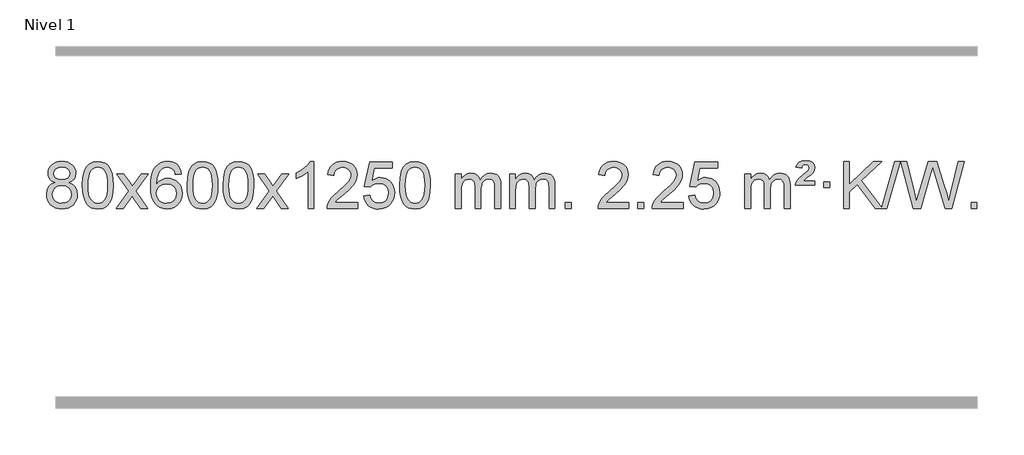
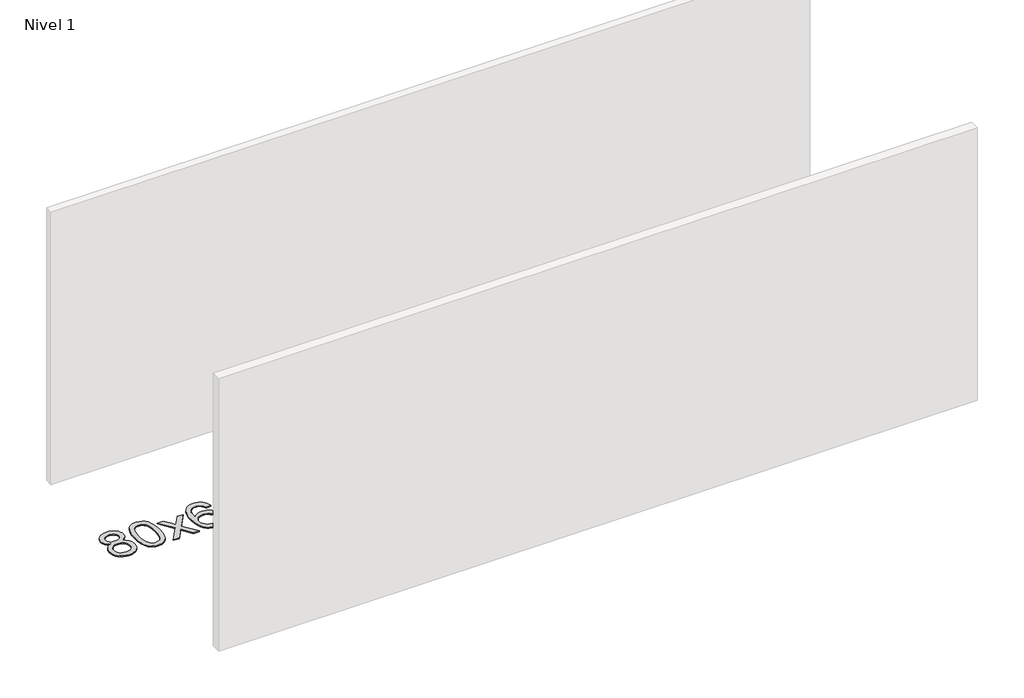
# One storey, part 6 of 9: 1 proxy.
"""IFC4 building model written with IfcOpenShell, lengths in millimetres."""

from ifc_helpers import new_model, si_unit, origin, origin_with_axes, place, context, project, spatial, polyline, outline, extrude, element, save

model = new_model("IFC4")

# Units and contexts
model_context = context("Model", 3, world=origin())
ifc_project = project(units=[si_unit("LENGTHUNIT", "METRE", prefix="MILLI")], contexts=[model_context])

# Site, building, storey
site = spatial("IfcSite", under=ifc_project)
building = spatial("IfcBuilding", under=site)
storey = spatial("IfcBuildingStorey", under=building, Name="Nivel 1", Elevation=0.0)

# Proxy
placement = place(None, origin())
element("IfcBuildingElementProxy", 1, Name="Texto de modelo 1", ObjectType="Texto de modelo 1", at=placement, inside=storey, context=model_context, shape_type="SweptSolid", body=[
    extrude(outline(polyline([(-6536.8094438, -6174.2616447), (-6563.7016177, -6161.0178929), (-6582.573964, -6143.0652515), (-6593.7207885, -6120.7716026), (-6597.4363966, -6094.5048281), (-6595.4130456, -6074.0199324), (-6589.3429927, -6055.2395565), (-6579.2262378, -6038.1637006), (-6565.062781, -6022.7923645), (-6547.533204, -6010.088173), (-6527.3180883, -6001.0137504), (-6504.4174341, -5995.5690969), (-6478.8312414, -5993.7542124), (-6453.1224213, -5995.6120165), (-6430.0500888, -6001.1854287), (-6409.614244, -6010.4744491), (-6391.8148868, -6023.4790776), (-6377.3939126, -6039.1508506), (-6367.0932167, -6056.4413044), (-6360.9127992, -6075.3504389), (-6358.85266, -6095.8782543), (-6362.5192172, -6121.2989001), (-6373.5188889, -6143.2124043), (-6391.9743023, -6161.0546811), (-6418.0080848, -6174.2616447), (-6387.0937345, -6190.1909351), (-6364.5916191, -6213.6495436), (-6350.8696207, -6243.5092989), (-6346.2956212, -6278.6420295), (-6348.5642269, -6303.6947933), (-6355.3700438, -6326.6628926), (-6366.713072, -6347.5463272), (-6382.5933114, -6366.3450971), (-6402.1768963, -6381.88198), (-6424.6299607, -6392.9797536), (-6449.9525047, -6399.6384177), (-6478.1445283, -6401.8579724), (-6506.3365519, -6399.6292206), (-6531.6590959, -6392.9429654), (-6554.1121603, -6381.7992066), (-6573.6957452, -6366.1979443), (-6589.5759846, -6347.26735), (-6600.9190128, -6326.135595), (-6607.7248297, -6302.8026795), (-6609.9934354, -6277.2686033), (-6605.2354949, -6240.7747094), (-6590.9616735, -6210.7555386), (-6567.9077351, -6188.2411605), (-6536.8094438, -6174.2616447)]), holes=[polyline([(-6547.2082415, -6095.9763561), (-6542.7568694, -6117.902123), (-6529.402753, -6135.413306), (-6507.5382997, -6146.8912243), (-6477.5559171, -6150.717197), (-6448.2725103, -6146.9157497), (-6426.7391508, -6135.5114079), (-6413.495399, -6118.5888361), (-6409.0808151, -6098.232699), (-6413.6425518, -6077.1040098), (-6427.327762, -6059.629615), (-6449.1554271, -6047.8941794), (-6478.1445283, -6043.9823675), (-6507.3175705, -6047.8083402), (-6529.1084474, -6059.2862585), (-6542.683293, -6076.1107284), (-6547.2082415, -6095.9763561)]), polyline([(-6559.7652803, -6275.5027698), (-6557.6683529, -6294.7184726), (-6551.3775708, -6313.3210389), (-6539.7647625, -6329.5446349), (-6521.7017565, -6341.623427), (-6500.0702952, -6349.1282197), (-6477.7521208, -6351.6298173), (-6443.5636208, -6346.3691048), (-6429.6699441, -6339.7932141), (-6417.909983, -6330.5869672), (-6401.870328, -6306.6869002), (-6396.5237763, -6277.0723996), (-6402.0420062, -6246.9551269), (-6418.596696, -6222.5277625), (-6430.6754882, -6213.0854579), (-6444.838945, -6206.3409547), (-6479.4198526, -6200.9453521), (-6513.130106, -6206.2673783), (-6526.8674329, -6212.919911), (-6538.5262264, -6222.2334569), (-6554.4555168, -6246.1948375), (-6559.7652803, -6275.5027698)])]), origin_with_axes(), (0.0, 0.0, 1.0), 10.0),
    extrude(outline(polyline([(-6302.3459855, -6197.9041943), (-6298.6549029, -6133.5861588), (-6287.5816548, -6082.2911459), (-6269.236606, -6043.2343407), (-6257.378543, -6028.0009605), (-6243.730121, -6015.6309284), (-6228.2453547, -6006.0598651), (-6210.8782588, -5999.2233914), (-6170.4970785, -5993.7542124), (-6139.5459399, -5996.991574), (-6111.832163, -6006.7036586), (-6088.6555973, -6022.5103217), (-6071.3160926, -6044.0314184), (-6058.2194935, -6071.0830078), (-6047.7716449, -6103.4811488), (-6040.9290398, -6144.6226186), (-6038.6481714, -6197.9041943), (-6042.3024659, -6261.8543477), (-6053.2653493, -6313.0267333), (-6071.5000336, -6352.1203266), (-6083.3305054, -6367.3996922), (-6096.9697304, -6379.8341036), (-6112.4728908, -6389.4695462), (-6129.8951689, -6396.3520052), (-6170.4970785, -6401.8579724), (-6198.1618045, -6399.4667394), (-6222.6872709, -6392.2930405), (-6244.0734775, -6380.3368757), (-6262.3204245, -6363.5982449), (-6279.8316074, -6333.3399508), (-6292.3395953, -6295.6381776), (-6299.844388, -6250.4929255), (-6302.3459855, -6197.9041943)]), holes=[polyline([(-6252.1178305, -6197.8060924), (-6250.6463025, -6241.4706195), (-6246.2317185, -6276.8148822), (-6238.8740786, -6303.8388804), (-6228.5733828, -6322.5426142), (-6216.1144459, -6335.2682656), (-6202.2820829, -6344.3580165), (-6187.0762937, -6349.8118671), (-6170.4970785, -6351.6298173), (-6153.9178632, -6349.8057357), (-6138.7120741, -6344.3334911), (-6124.8797111, -6335.2130833), (-6112.4207742, -6322.4445124), (-6102.1200783, -6303.7101217), (-6094.7624384, -6276.6922549), (-6090.3478545, -6241.3909118), (-6088.8763265, -6197.8060924), (-6090.2988035, -6155.2973278), (-6094.5662347, -6120.5753989), (-6101.6786199, -6093.6403055), (-6111.6359592, -6074.4920476), (-6123.8864297, -6061.1440625), (-6137.8782082, -6051.6097875), (-6153.6112949, -6045.8892225), (-6171.0856897, -6043.9823675), (-6187.5790658, -6045.6623619), (-6202.5273375, -6050.7023452), (-6215.9305049, -6059.1023175), (-6227.7885679, -6070.8622786), (-6238.4326203, -6091.708925), (-6246.0355148, -6119.8151094), (-6250.5972516, -6155.1808319), (-6252.1178305, -6197.8060924)])]), origin_with_axes(), (0.0, 0.0, 1.0), 10.0),
    extrude(outline(polyline([(-6013.5340939, -6395.579453), (-5906.2106531, -6247.2494325), (-6007.2555745, -6100.4890419), (-5946.8248254, -6100.4890419), (-5898.0681983, -6171.122385), (-5875.3085655, -6204.4770192), (-5855.5900906, -6177.2047007), (-5800.0644348, -6100.4890419), (-5739.6336857, -6100.4890419), (-5845.7799041, -6247.2494325), (-5743.5577603, -6395.579453), (-5803.9885094, -6395.579453), (-5865.498379, -6306.4048574), (-5876.7800935, -6290.1199477), (-5953.1033448, -6395.579453), (-6013.5340939, -6395.579453)])), origin_with_axes(), (0.0, 0.0, 1.0), 10.0),
    extrude(outline(polyline([(-5454.7458687, -6100.4890419), (-5504.9740237, -6106.7675613), (-5513.0674276, -6081.874213), (-5524.0057856, -6064.8780648), (-5546.7899439, -6049.2062918), (-5574.3320426, -6043.9823675), (-5597.6802865, -6047.0235253), (-5619.6551044, -6056.1469988), (-5638.5274507, -6075.3627017), (-5653.9417063, -6101.8134171), (-5664.3527668, -6139.227016), (-5668.2155277, -6191.3313693), (-5648.0678571, -6167.8237098), (-5623.9225355, -6151.2567573), (-5597.1284635, -6141.434308), (-5569.0345418, -6138.1601582), (-5544.9014829, -6140.398107), (-5522.6323595, -6147.1119534), (-5502.2271715, -6158.3016975), (-5483.6859189, -6173.9673391), (-5468.2777947, -6193.1769106), (-5457.2719917, -6214.9984443), (-5450.6685099, -6239.4319401), (-5448.4673493, -6266.4773982), (-5452.6121531, -6302.4439945), (-5465.0465645, -6335.786366), (-5484.740514, -6364.0642287), (-5510.6639319, -6384.8372987), (-5541.6395959, -6397.602804), (-5576.4902836, -6401.8579724), (-5606.4328123, -6399.0375437), (-5633.4752046, -6390.5762579), (-5657.6174606, -6376.4741147), (-5678.8595801, -6356.7311143), (-5696.177625, -6330.5133908), (-5708.5476571, -6296.9870783), (-5715.9696764, -6256.1521768), (-5718.4436828, -6208.0086864), (-5715.6968306, -6154.0342663), (-5707.4562739, -6107.9693092), (-5693.7220127, -6069.8138149), (-5674.4940471, -6039.5677835), (-5653.6535321, -6019.5243462), (-5629.4898164, -6005.2076052), (-5602.0029, -5996.6175606), (-5571.1927829, -5993.7542124), (-5548.0591367, -5995.5261773), (-5527.1205198, -6000.8420722), (-5508.3769322, -6009.7018969), (-5491.8283738, -6022.1056515), (-5477.9224344, -6037.6364031), (-5467.1067037, -6055.8772186), (-5459.3811818, -6076.8280983), (-5454.7458687, -6100.4890419)]), holes=[polyline([(-5668.2155277, -6265.6925832), (-5665.30926, -6287.9494439), (-5656.5904567, -6309.2007605), (-5643.0523993, -6327.472233), (-5625.6883691, -6340.7895612), (-5604.7313581, -6348.9197533), (-5580.4143582, -6351.6298173), (-5547.2681904, -6346.0134855), (-5533.353054, -6338.9930708), (-5521.2098825, -6329.1644901), (-5511.359842, -6316.9262824), (-5504.3240989, -6302.6769865), (-5498.6955043, -6268.1451299), (-5504.2505225, -6234.9989621), (-5511.1942951, -6221.3781312), (-5520.9155769, -6209.725469), (-5533.0955366, -6200.3904634), (-5547.4153432, -6193.7226022), (-5582.4744974, -6188.3883133), (-5615.5716142, -6193.7226022), (-5643.248603, -6209.725469), (-5654.1716326, -6221.2248471), (-5661.9737965, -6234.3858254), (-5666.6550949, -6249.2084042), (-5668.2155277, -6265.6925832)])]), origin_with_axes(), (0.0, 0.0, 1.0), 10.0),
    extrude(outline(polyline([(-5404.5177136, -6197.9041943), (-5400.8266309, -6133.5861588), (-5389.7533828, -6082.2911459), (-5371.408334, -6043.2343407), (-5359.550271, -6028.0009605), (-5345.901849, -6015.6309284), (-5330.4170827, -6006.0598651), (-5313.0499869, -5999.2233914), (-5272.6688065, -5993.7542124), (-5241.717668, -5996.991574), (-5214.003891, -6006.7036586), (-5190.8273253, -6022.5103217), (-5173.4878206, -6044.0314184), (-5160.3912216, -6071.0830078), (-5149.9433729, -6103.4811488), (-5143.1007678, -6144.6226186), (-5140.8198994, -6197.9041943), (-5144.4741939, -6261.8543477), (-5155.4370774, -6313.0267333), (-5173.6717616, -6352.1203266), (-5185.5022334, -6367.3996922), (-5199.1414584, -6379.8341036), (-5214.6446188, -6389.4695462), (-5232.066897, -6396.3520052), (-5272.6688065, -6401.8579724), (-5300.3335326, -6399.4667394), (-5324.8589989, -6392.2930405), (-5346.2452055, -6380.3368757), (-5364.4921525, -6363.5982449), (-5382.0033355, -6333.3399508), (-5394.5113233, -6295.6381776), (-5402.016116, -6250.4929255), (-5404.5177136, -6197.9041943)]), holes=[polyline([(-5354.2895585, -6197.8060924), (-5352.8180305, -6241.4706195), (-5348.4034466, -6276.8148822), (-5341.0458067, -6303.8388804), (-5330.7451108, -6322.5426142), (-5318.2861739, -6335.2682656), (-5304.4538109, -6344.3580165), (-5289.2480218, -6349.8118671), (-5272.6688065, -6351.6298173), (-5256.0895913, -6349.8057357), (-5240.8838021, -6344.3334911), (-5227.0514391, -6335.2130833), (-5214.5925022, -6322.4445124), (-5204.2918063, -6303.7101217), (-5196.9341664, -6276.6922549), (-5192.5195825, -6241.3909118), (-5191.0480545, -6197.8060924), (-5192.4705316, -6155.2973278), (-5196.7379627, -6120.5753989), (-5203.8503479, -6093.6403055), (-5213.8076873, -6074.4920476), (-5226.0581577, -6061.1440625), (-5240.0499363, -6051.6097875), (-5255.7830229, -6045.8892225), (-5273.2574177, -6043.9823675), (-5289.7507938, -6045.6623619), (-5304.6990656, -6050.7023452), (-5318.1022329, -6059.1023175), (-5329.9602959, -6070.8622786), (-5340.6043483, -6091.708925), (-5348.2072429, -6119.8151094), (-5352.7689796, -6155.1808319), (-5354.2895585, -6197.8060924)])]), origin_with_axes(), (0.0, 0.0, 1.0), 10.0),
    extrude(outline(polyline([(-5096.8702638, -6197.9041943), (-5093.1791811, -6133.5861588), (-5082.105933, -6082.2911459), (-5063.7608842, -6043.2343407), (-5051.9028212, -6028.0009605), (-5038.2543992, -6015.6309284), (-5022.7696329, -6006.0598651), (-5005.402537, -5999.2233914), (-4965.0213567, -5993.7542124), (-4934.0702182, -5996.991574), (-4906.3564412, -6006.7036586), (-4883.1798755, -6022.5103217), (-4865.8403708, -6044.0314184), (-4852.7437718, -6071.0830078), (-4842.2959231, -6103.4811488), (-4835.453318, -6144.6226186), (-4833.1724496, -6197.9041943), (-4836.8267441, -6261.8543477), (-4847.7896275, -6313.0267333), (-4866.0243118, -6352.1203266), (-4877.8547836, -6367.3996922), (-4891.4940086, -6379.8341036), (-4906.997169, -6389.4695462), (-4924.4194471, -6396.3520052), (-4965.0213567, -6401.8579724), (-4992.6860827, -6399.4667394), (-5017.2115491, -6392.2930405), (-5038.5977557, -6380.3368757), (-5056.8447027, -6363.5982449), (-5074.3558856, -6333.3399508), (-5086.8638735, -6295.6381776), (-5094.3686662, -6250.4929255), (-5096.8702638, -6197.9041943)]), holes=[polyline([(-5046.6421087, -6197.8060924), (-5045.1705807, -6241.4706195), (-5040.7559968, -6276.8148822), (-5033.3983568, -6303.8388804), (-5023.097661, -6322.5426142), (-5010.6387241, -6335.2682656), (-4996.8063611, -6344.3580165), (-4981.6005719, -6349.8118671), (-4965.0213567, -6351.6298173), (-4948.4421414, -6349.8057357), (-4933.2363523, -6344.3334911), (-4919.4039893, -6335.2130833), (-4906.9450524, -6322.4445124), (-4896.6443565, -6303.7101217), (-4889.2867166, -6276.6922549), (-4884.8721327, -6241.3909118), (-4883.4006047, -6197.8060924), (-4884.8230817, -6155.2973278), (-4889.0905129, -6120.5753989), (-4896.2028981, -6093.6403055), (-4906.1602375, -6074.4920476), (-4918.4107079, -6061.1440625), (-4932.4024864, -6051.6097875), (-4948.1355731, -6045.8892225), (-4965.6099679, -6043.9823675), (-4982.103344, -6045.6623619), (-4997.0516157, -6050.7023452), (-5010.4547831, -6059.1023175), (-5022.3128461, -6070.8622786), (-5032.9568985, -6091.708925), (-5040.559793, -6119.8151094), (-5045.1215298, -6155.1808319), (-5046.6421087, -6197.8060924)])]), origin_with_axes(), (0.0, 0.0, 1.0), 10.0),
    extrude(outline(polyline([(-4808.0583721, -6395.579453), (-4700.7349313, -6247.2494325), (-4801.7798527, -6100.4890419), (-4741.3491036, -6100.4890419), (-4692.5924765, -6171.122385), (-4669.8328437, -6204.4770192), (-4650.1143688, -6177.2047007), (-4594.588713, -6100.4890419), (-4534.1579639, -6100.4890419), (-4640.3041823, -6247.2494325), (-4538.0820385, -6395.579453), (-4598.5127876, -6395.579453), (-4660.0226572, -6306.4048574), (-4671.3043717, -6290.1199477), (-4747.627623, -6395.579453), (-4808.0583721, -6395.579453)])), origin_with_axes(), (0.0, 0.0, 1.0), 10.0),
    extrude(outline(polyline([(-4318.3338601, -6395.579453), (-4368.5620152, -6395.579453), (-4368.5620152, -6082.4382987), (-4389.5312889, -6099.3976587), (-4416.1414199, -6116.3324932), (-4469.0183253, -6141.6918254), (-4469.0183253, -6094.2105225), (-4429.5691127, -6072.7507395), (-4395.3928753, -6047.219729), (-4368.4516506, -6020.0700378), (-4350.7074757, -5993.7542124), (-4318.3338601, -5993.7542124), (-4318.3338601, -6395.579453)])), origin_with_axes(), (0.0, 0.0, 1.0), 10.0),
    extrude(outline(polyline([(-3941.622697, -6345.3512979), (-3941.622697, -6395.579453), (-4205.3205112, -6395.579453), (-4204.2168652, -6377.8965918), (-4199.9249086, -6360.9494945), (-4187.5395481, -6333.8856424), (-4169.4152284, -6307.6311307), (-4143.1975049, -6280.1503456), (-4106.5319327, -6249.4076736), (-4052.3306521, -6201.2641831), (-4019.8098837, -6165.7267824), (-4003.5494996, -6136.884834), (-3998.1293715, -6108.8277005), (-4003.2429312, -6083.6768347), (-4018.5836104, -6062.7688747), (-4042.1648463, -6048.6789943), (-4072.0000761, -6043.9823675), (-4103.3313594, -6048.5686297), (-4127.6728847, -6062.3274163), (-4143.3814459, -6084.1796068), (-4148.8138367, -6113.0460807), (-4199.0419918, -6106.7675613), (-4194.722444, -6080.838012), (-4186.8650977, -6058.1826125), (-4175.4699529, -6038.8013627), (-4160.5370096, -6022.6942627), (-4142.4096243, -6010.0329907), (-4121.4311535, -6000.989225), (-4097.6015973, -5995.5629655), (-4070.9209556, -5993.7542124), (-4044.0011906, -5995.7653006), (-4020.0428757, -6001.7985654), (-3999.0460108, -6011.8540066), (-3981.010596, -6025.9316242), (-3966.5252424, -6042.9890861), (-3956.1785613, -6061.9840598), (-3949.9705526, -6082.9165453), (-3947.9012164, -6105.7865427), (-3950.1330339, -6129.8092369), (-3956.8284862, -6153.4149983), (-3968.7110746, -6177.4254299), (-3986.5043004, -6202.6621347), (-4014.8680023, -6232.7916701), (-4058.4620187, -6271.4805933), (-4116.2440174, -6319.795762), (-4138.9055483, -6345.3512979), (-3941.622697, -6345.3512979)])), origin_with_axes(), (0.0, 0.0, 1.0), 10.0),
    extrude(outline(polyline([(-3891.394542, -6288.8446235), (-3841.1663869, -6282.5661041), (-3831.9448115, -6312.7201649), (-3815.8561056, -6334.3148381), (-3792.9738455, -6347.3010725), (-3763.3716076, -6351.6298173), (-3744.2417439, -6350.1245668), (-3727.368223, -6345.6088153), (-3712.7510451, -6338.0825628), (-3700.3902101, -6327.5458094), (-3690.5616294, -6314.519721), (-3683.5412147, -6299.5254641), (-3677.9248829, -6263.6324441), (-3683.1855954, -6229.8363514), (-3689.7614861, -6215.9181493), (-3698.967733, -6203.9865099), (-3710.834993, -6194.4154467), (-3725.393923, -6187.5789729), (-3762.5867927, -6182.1097939), (-3786.9528435, -6184.2925604), (-3806.6835812, -6190.8408599), (-3822.4411933, -6200.8717757), (-3834.8878675, -6213.5023908), (-3885.1160226, -6207.2238715), (-3841.1663869, -6000.0327318), (-3646.532286, -6000.0327318), (-3646.532286, -6050.2608869), (-3800.5522146, -6050.2608869), (-3822.0365231, -6160.919791), (-3804.3107423, -6148.2155994), (-3786.1557659, -6139.1411769), (-3767.5715937, -6133.6965234), (-3748.558226, -6131.8816388), (-3724.097139, -6134.1318504), (-3701.6287461, -6140.882485), (-3681.1530474, -6152.1335427), (-3662.6700428, -6167.8850234), (-3647.3692175, -6187.1743027), (-3636.4400566, -6209.038756), (-3629.88256, -6233.4783832), (-3627.6967278, -6260.4931844), (-3629.6648965, -6286.5147042), (-3635.5694025, -6310.7213394), (-3645.4102459, -6333.1130902), (-3659.1874266, -6353.6899565), (-3680.0585985, -6374.7634634), (-3704.4123865, -6389.8159684), (-3732.2487908, -6398.8474714), (-3763.5678114, -6401.8579724), (-3789.4881636, -6399.9235262), (-3812.9007869, -6394.1201877), (-3833.8056813, -6384.447957), (-3852.2028467, -6370.9068338), (-3867.5098034, -6354.1712688), (-3879.1440715, -6334.915712), (-3887.105651, -6313.1401636), (-3891.394542, -6288.8446235)])), origin_with_axes(), (0.0, 0.0, 1.0), 10.0),
    extrude(outline(polyline([(-3583.7470921, -6197.9041943), (-3580.0560094, -6133.5861588), (-3568.9827614, -6082.2911459), (-3550.6377126, -6043.2343407), (-3538.7796496, -6028.0009605), (-3525.1312276, -6015.6309284), (-3509.6464612, -6006.0598651), (-3492.2793654, -5999.2233914), (-3451.8981851, -5993.7542124), (-3420.9470465, -5996.991574), (-3393.2332696, -6006.7036586), (-3370.0567039, -6022.5103217), (-3352.7171992, -6044.0314184), (-3339.6206001, -6071.0830078), (-3329.1727515, -6103.4811488), (-3322.3301463, -6144.6226186), (-3320.049278, -6197.9041943), (-3323.7035725, -6261.8543477), (-3334.6664559, -6313.0267333), (-3352.9011401, -6352.1203266), (-3364.731612, -6367.3996922), (-3378.3708369, -6379.8341036), (-3393.8739974, -6389.4695462), (-3411.2962755, -6396.3520052), (-3451.8981851, -6401.8579724), (-3479.5629111, -6399.4667394), (-3504.0883774, -6392.2930405), (-3525.4745841, -6380.3368757), (-3543.721531, -6363.5982449), (-3561.232714, -6333.3399508), (-3573.7407019, -6295.6381776), (-3581.2454946, -6250.4929255), (-3583.7470921, -6197.9041943)]), holes=[polyline([(-3533.518937, -6197.8060924), (-3532.0474091, -6241.4706195), (-3527.6328251, -6276.8148822), (-3520.2751852, -6303.8388804), (-3509.9744894, -6322.5426142), (-3497.5155525, -6335.2682656), (-3483.6831894, -6344.3580165), (-3468.4774003, -6349.8118671), (-3451.8981851, -6351.6298173), (-3435.3189698, -6349.8057357), (-3420.1131807, -6344.3334911), (-3406.2808176, -6335.2130833), (-3393.8218807, -6322.4445124), (-3383.5211849, -6303.7101217), (-3376.163545, -6276.6922549), (-3371.748961, -6241.3909118), (-3370.2774331, -6197.8060924), (-3371.6999101, -6155.2973278), (-3375.9673412, -6120.5753989), (-3383.0797265, -6093.6403055), (-3393.0370658, -6074.4920476), (-3405.2875363, -6061.1440625), (-3419.2793148, -6051.6097875), (-3435.0124015, -6045.8892225), (-3452.4867962, -6043.9823675), (-3468.9801724, -6045.6623619), (-3483.9284441, -6050.7023452), (-3497.3316115, -6059.1023175), (-3509.1896744, -6070.8622786), (-3519.8337268, -6091.708925), (-3527.4366214, -6119.8151094), (-3531.9983581, -6155.1808319), (-3533.518937, -6197.8060924)])]), origin_with_axes(), (0.0, 0.0, 1.0), 10.0),
    extrude(outline(polyline([(-3106.5796189, -6395.579453), (-3106.5796189, -6100.4890419), (-3056.3514638, -6100.4890419), (-3056.3514638, -6149.0494653), (-3041.2437766, -6126.7435537), (-3021.8196072, -6109.2691589), (-2998.7411434, -6097.9751816), (-2972.6705727, -6094.2105225), (-2944.7360665, -6098.048758), (-2922.3443157, -6109.5634645), (-2905.6179477, -6127.9943524), (-2894.6795897, -6152.5811324), (-2876.3713291, -6127.0439906), (-2855.4878945, -6108.803175), (-2832.0292859, -6097.8586857), (-2805.9955034, -6094.2105225), (-2785.8876867, -6095.7280358), (-2768.2385479, -6100.2805755), (-2753.0480872, -6107.8681416), (-2740.3163045, -6118.4907342), (-2730.2516663, -6132.2709806), (-2723.0626389, -6149.3315082), (-2718.7492225, -6169.6723168), (-2717.3114171, -6193.2934066), (-2717.3114171, -6395.579453), (-2767.5395722, -6395.579453), (-2767.5395722, -6214.875817), (-2768.7045318, -6189.8230531), (-2772.1994108, -6172.9372695), (-2778.7477103, -6161.3735121), (-2789.0729316, -6152.2868268), (-2802.3534716, -6146.4007149), (-2817.7677272, -6144.4386776), (-2844.9787321, -6149.4663982), (-2867.1620165, -6164.54956), (-2875.7673895, -6176.1194488), (-2881.9140845, -6190.7182326), (-2886.8314405, -6229.0024856), (-2886.8314405, -6395.579453), (-2937.0595955, -6395.579453), (-2937.0595955, -6209.2840106), (-2939.9658633, -6180.8835206), (-2948.6846666, -6160.6254854), (-2964.0253458, -6148.4853796), (-2986.7972413, -6144.4386776), (-3006.1478342, -6147.1364789), (-3023.9778483, -6155.2298828), (-3038.6931281, -6168.5226856), (-3048.6995183, -6186.8186835), (-3054.4384775, -6212.2025411), (-3056.3514638, -6246.7589232), (-3056.3514638, -6395.579453), (-3106.5796189, -6395.579453)])), origin_with_axes(), (0.0, 0.0, 1.0), 10.0),
    extrude(outline(polyline([(-2641.9691845, -6395.579453), (-2641.9691845, -6100.4890419), (-2591.7410294, -6100.4890419), (-2591.7410294, -6149.0494653), (-2576.6333421, -6126.7435537), (-2557.2091728, -6109.2691589), (-2534.130709, -6097.9751816), (-2508.0601382, -6094.2105225), (-2480.1256321, -6098.048758), (-2457.7338813, -6109.5634645), (-2441.0075132, -6127.9943524), (-2430.0691552, -6152.5811324), (-2411.7608946, -6127.0439906), (-2390.87746, -6108.803175), (-2367.4188515, -6097.8586857), (-2341.3850689, -6094.2105225), (-2321.2772522, -6095.7280358), (-2303.6281135, -6100.2805755), (-2288.4376528, -6107.8681416), (-2275.7058701, -6118.4907342), (-2265.6412318, -6132.2709806), (-2258.4522045, -6149.3315082), (-2254.1387881, -6169.6723168), (-2252.7009826, -6193.2934066), (-2252.7009826, -6395.579453), (-2302.9291377, -6395.579453), (-2302.9291377, -6214.875817), (-2304.0940974, -6189.8230531), (-2307.5889763, -6172.9372695), (-2314.1372758, -6161.3735121), (-2324.4624972, -6152.2868268), (-2337.7430372, -6146.4007149), (-2353.1572928, -6144.4386776), (-2380.3682977, -6149.4663982), (-2402.551582, -6164.54956), (-2411.156955, -6176.1194488), (-2417.30365, -6190.7182326), (-2422.221006, -6229.0024856), (-2422.221006, -6395.579453), (-2472.4491611, -6395.579453), (-2472.4491611, -6209.2840106), (-2475.3554289, -6180.8835206), (-2484.0742321, -6160.6254854), (-2499.4149113, -6148.4853796), (-2522.1868068, -6144.4386776), (-2541.5373998, -6147.1364789), (-2559.3674138, -6155.2298828), (-2574.0826936, -6168.5226856), (-2584.0890839, -6186.8186835), (-2589.828043, -6212.2025411), (-2591.7410294, -6246.7589232), (-2591.7410294, -6395.579453), (-2641.9691845, -6395.579453)])), origin_with_axes(), (0.0, 0.0, 1.0), 10.0),
    extrude(outline(polyline([(-2164.8017113, -6395.579453), (-2164.8017113, -6345.3512979), (-2114.5735562, -6345.3512979), (-2114.5735562, -6395.579453), (-2164.8017113, -6395.579453)])), origin_with_axes(), (0.0, 0.0, 1.0), 10.0),
    extrude(outline(polyline([(-1618.5705248, -6345.3512979), (-1618.5705248, -6395.579453), (-1882.268339, -6395.579453), (-1881.164693, -6377.8965918), (-1876.8727364, -6360.9494945), (-1864.4873759, -6333.8856424), (-1846.3630562, -6307.6311307), (-1820.1453327, -6280.1503456), (-1783.4797605, -6249.4076736), (-1729.2784799, -6201.2641831), (-1696.7577115, -6165.7267824), (-1680.4973273, -6136.884834), (-1675.0771993, -6108.8277005), (-1680.190759, -6083.6768347), (-1695.5314382, -6062.7688747), (-1719.1126741, -6048.6789943), (-1748.9479039, -6043.9823675), (-1780.2791872, -6048.5686297), (-1804.6207125, -6062.3274163), (-1820.3292737, -6084.1796068), (-1825.7616645, -6113.0460807), (-1875.9898196, -6106.7675613), (-1871.6702718, -6080.838012), (-1863.8129255, -6058.1826125), (-1852.4177807, -6038.8013627), (-1837.4848374, -6022.6942627), (-1819.3574521, -6010.0329907), (-1798.3789813, -6000.989225), (-1774.5494251, -5995.5629655), (-1747.8687834, -5993.7542124), (-1720.9490184, -5995.7653006), (-1696.9907035, -6001.7985654), (-1675.9938386, -6011.8540066), (-1657.9584238, -6025.9316242), (-1643.4730702, -6042.9890861), (-1633.1263891, -6061.9840598), (-1626.9183804, -6082.9165453), (-1624.8490442, -6105.7865427), (-1627.0808616, -6129.8092369), (-1633.776314, -6153.4149983), (-1645.6589024, -6177.4254299), (-1663.4521282, -6202.6621347), (-1691.8158301, -6232.7916701), (-1735.4098465, -6271.4805933), (-1793.1918452, -6319.795762), (-1815.8533761, -6345.3512979), (-1618.5705248, -6345.3512979)])), origin_with_axes(), (0.0, 0.0, 1.0), 10.0),
    extrude(outline(polyline([(-1543.2282922, -6395.579453), (-1543.2282922, -6345.3512979), (-1493.0001371, -6345.3512979), (-1493.0001371, -6395.579453), (-1543.2282922, -6395.579453)])), origin_with_axes(), (0.0, 0.0, 1.0), 10.0),
    extrude(outline(polyline([(-1153.9600904, -6345.3512979), (-1153.9600904, -6395.579453), (-1417.6579045, -6395.579453), (-1416.5542585, -6377.8965918), (-1412.2623019, -6360.9494945), (-1399.8769414, -6333.8856424), (-1381.7526218, -6307.6311307), (-1355.5348983, -6280.1503456), (-1318.8693261, -6249.4076736), (-1264.6680455, -6201.2641831), (-1232.1472771, -6165.7267824), (-1215.8868929, -6136.884834), (-1210.4667648, -6108.8277005), (-1215.5803246, -6083.6768347), (-1230.9210038, -6062.7688747), (-1254.5022397, -6048.6789943), (-1284.3374695, -6043.9823675), (-1315.6687527, -6048.5686297), (-1340.0102781, -6062.3274163), (-1355.7188393, -6084.1796068), (-1361.1512301, -6113.0460807), (-1411.3793851, -6106.7675613), (-1407.0598374, -6080.838012), (-1399.2024911, -6058.1826125), (-1387.8073463, -6038.8013627), (-1372.874403, -6022.6942627), (-1354.7470177, -6010.0329907), (-1333.7685469, -6000.989225), (-1309.9389907, -5995.5629655), (-1283.258349, -5993.7542124), (-1256.338584, -5995.7653006), (-1232.380269, -6001.7985654), (-1211.3834041, -6011.8540066), (-1193.3479893, -6025.9316242), (-1178.8626358, -6042.9890861), (-1168.5159547, -6061.9840598), (-1162.307946, -6082.9165453), (-1160.2386098, -6105.7865427), (-1162.4704272, -6129.8092369), (-1169.1658795, -6153.4149983), (-1181.048468, -6177.4254299), (-1198.8416938, -6202.6621347), (-1227.2053956, -6232.7916701), (-1270.799412, -6271.4805933), (-1328.5814108, -6319.795762), (-1351.2429417, -6345.3512979), (-1153.9600904, -6345.3512979)])), origin_with_axes(), (0.0, 0.0, 1.0), 10.0),
    extrude(outline(polyline([(-1103.7319353, -6288.8446235), (-1053.5037802, -6282.5661041), (-1044.2822049, -6312.7201649), (-1028.193499, -6334.3148381), (-1005.3112389, -6347.3010725), (-975.709001, -6351.6298173), (-956.5791372, -6350.1245668), (-939.7056164, -6345.6088153), (-925.0884384, -6338.0825628), (-912.7276034, -6327.5458094), (-902.8990228, -6314.519721), (-895.878608, -6299.5254641), (-890.2622762, -6263.6324441), (-895.5229888, -6229.8363514), (-902.0988794, -6215.9181493), (-911.3051264, -6203.9865099), (-923.1723864, -6194.4154467), (-937.7313163, -6187.5789729), (-974.9241861, -6182.1097939), (-999.2902369, -6184.2925604), (-1019.0209745, -6190.8408599), (-1034.7785867, -6200.8717757), (-1047.2252608, -6213.5023908), (-1097.4534159, -6207.2238715), (-1053.5037802, -6000.0327318), (-858.8696793, -6000.0327318), (-858.8696793, -6050.2608869), (-1012.889608, -6050.2608869), (-1034.3739165, -6160.919791), (-1016.6481357, -6148.2155994), (-998.4931592, -6139.1411769), (-979.9089871, -6133.6965234), (-960.8956193, -6131.8816388), (-936.4345323, -6134.1318504), (-913.9661395, -6140.882485), (-893.4904407, -6152.1335427), (-875.0074362, -6167.8850234), (-859.7066109, -6187.1743027), (-848.7774499, -6209.038756), (-842.2199533, -6233.4783832), (-840.0341212, -6260.4931844), (-842.0022898, -6286.5147042), (-847.9067959, -6310.7213394), (-857.7476392, -6333.1130902), (-871.5248199, -6353.6899565), (-892.3959918, -6374.7634634), (-916.7497799, -6389.8159684), (-944.5861842, -6398.8474714), (-975.9052047, -6401.8579724), (-1001.825557, -6399.9235262), (-1025.2381803, -6394.1201877), (-1046.1430746, -6384.447957), (-1064.5402401, -6370.9068338), (-1079.8471968, -6354.1712688), (-1091.4814649, -6334.915712), (-1099.4430444, -6313.1401636), (-1103.7319353, -6288.8446235)])), origin_with_axes(), (0.0, 0.0, 1.0), 10.0),
    extrude(outline(polyline([(-626.5644621, -6395.579453), (-626.5644621, -6100.4890419), (-576.336307, -6100.4890419), (-576.336307, -6149.0494653), (-561.2286197, -6126.7435537), (-541.8044504, -6109.2691589), (-518.7259866, -6097.9751816), (-492.6554158, -6094.2105225), (-464.7209097, -6098.048758), (-442.3291589, -6109.5634645), (-425.6027909, -6127.9943524), (-414.6644329, -6152.5811324), (-396.3561722, -6127.0439906), (-375.4727377, -6108.803175), (-352.0141291, -6097.8586857), (-325.9803466, -6094.2105225), (-305.8725298, -6095.7280358), (-288.2233911, -6100.2805755), (-273.0329304, -6107.8681416), (-260.3011477, -6118.4907342), (-250.2365094, -6132.2709806), (-243.0474821, -6149.3315082), (-238.7340657, -6169.6723168), (-237.2962603, -6193.2934066), (-237.2962603, -6395.579453), (-287.5244153, -6395.579453), (-287.5244153, -6214.875817), (-288.689375, -6189.8230531), (-292.1842539, -6172.9372695), (-298.7325535, -6161.3735121), (-309.0577748, -6152.2868268), (-322.3383148, -6146.4007149), (-337.7525704, -6144.4386776), (-364.9635753, -6149.4663982), (-387.1468596, -6164.54956), (-395.7522326, -6176.1194488), (-401.8989276, -6190.7182326), (-406.8162836, -6229.0024856), (-406.8162836, -6395.579453), (-457.0444387, -6395.579453), (-457.0444387, -6209.2840106), (-459.9507065, -6180.8835206), (-468.6695098, -6160.6254854), (-484.010189, -6148.4853796), (-506.7820845, -6144.4386776), (-526.1326774, -6147.1364789), (-543.9626914, -6155.2298828), (-558.6779713, -6168.5226856), (-568.6843615, -6186.8186835), (-574.4233206, -6212.2025411), (-576.336307, -6246.7589232), (-576.336307, -6395.579453), (-626.5644621, -6395.579453)])), origin_with_axes(), (0.0, 0.0, 1.0), 10.0),
    extrude(outline(polyline([(-193.3466246, -6194.6668327), (-189.5206518, -6178.8479069), (-181.1819933, -6162.9799302), (-159.6731593, -6137.8413272), (-127.7164766, -6110.1030247), (-83.5706372, -6072.726214), (-76.4337265, -6061.1992448), (-74.0547563, -6049.3779701), (-75.9432172, -6037.2869152), (-81.6085999, -6027.5012541), (-90.977328, -6021.026531), (-103.9758252, -6018.8682899), (-116.4102366, -6020.4869707), (-125.26393, -6025.343013), (-131.6896022, -6034.8098431), (-136.8399501, -6050.2608869), (-187.0681052, -6043.9823675), (-176.2278491, -6018.7701881), (-159.5995829, -6001.2099542), (-135.834406, -5990.9092583), (-103.5834178, -5987.475693), (-67.8007624, -5991.6082341), (-43.0545668, -6004.0058573), (-28.6335926, -6022.3386434), (-23.8266012, -6044.2766731), (-27.9223541, -6067.1834586), (-40.2096127, -6088.8149199), (-60.737428, -6108.6314968), (-97.2067965, -6136.6886303), (-122.8113834, -6163.2742358), (-23.8266012, -6163.2742358), (-23.8266012, -6194.6668327), (-193.3466246, -6194.6668327)])), origin_with_axes(), (0.0, 0.0, 1.0), 10.0),
    extrude(outline(polyline([(51.5156314, -6219.7809102), (51.5156314, -6169.5527552), (101.7437865, -6169.5527552), (101.7437865, -6219.7809102), (51.5156314, -6219.7809102)])), origin_with_axes(), (0.0, 0.0, 1.0), 10.0),
    extrude(outline(polyline([(492.3854144, -6395.579453), (338.954097, -6192.9009991), (271.2638099, -6257.4520265), (271.2638099, -6395.579453), (221.0356548, -6395.579453), (221.0356548, -5993.7542124), (271.2638099, -5993.7542124), (271.2638099, -6190.4484525), (477.2777272, -5993.7542124), (547.5186628, -5993.7542124), (374.5650741, -6158.9577537), (549.218684, -6389.5349332), (660.5320117, -5993.7542124), (705.8550735, -5993.7542124), (592.8417246, -6395.579453), (553.7971822, -6395.579453), (547.5186628, -6395.579453), (492.3854144, -6395.579453)])), origin_with_axes(), (0.0, 0.0, 1.0), 10.0),
    extrude(outline(polyline([(820.3399504, -6395.579453), (710.7601668, -5993.7542124), (762.5579517, -5993.7542124), (826.1279605, -6257.844434), (845.7483335, -6339.3670841), (866.7421327, -6267.2622131), (946.4008474, -5993.7542124), (1021.056367, -5993.7542124), (1078.9364675, -6192.0180823), (1103.731714, -6265.5944814), (1122.0031864, -6339.3670841), (1141.0349483, -6260.1988788), (1205.1935683, -5993.7542124), (1256.9913532, -5993.7542124), (1147.3134677, -6395.579453), (1093.6517474, -6395.579453), (997.3157155, -6085.5775584), (983.87576, -6042.3146358), (968.7680727, -6094.4067263), (880.9669032, -6395.579453), (820.3399504, -6395.579453)])), origin_with_axes(), (0.0, 0.0, 1.0), 10.0),
    extrude(outline(polyline([(1313.4980277, -6395.579453), (1313.4980277, -6345.3512979), (1363.7261827, -6345.3512979), (1363.7261827, -6395.579453), (1313.4980277, -6395.579453)])), origin_with_axes(), (0.0, 0.0, 1.0), 10.0),
])

save(model, "model.ifc")
